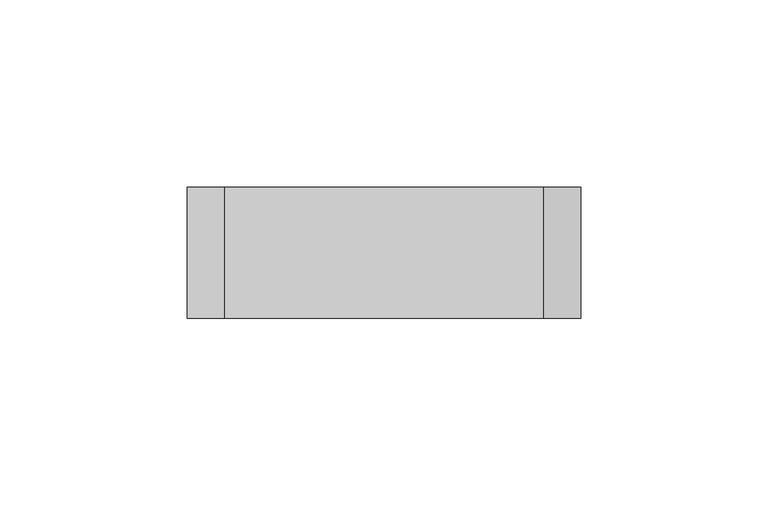
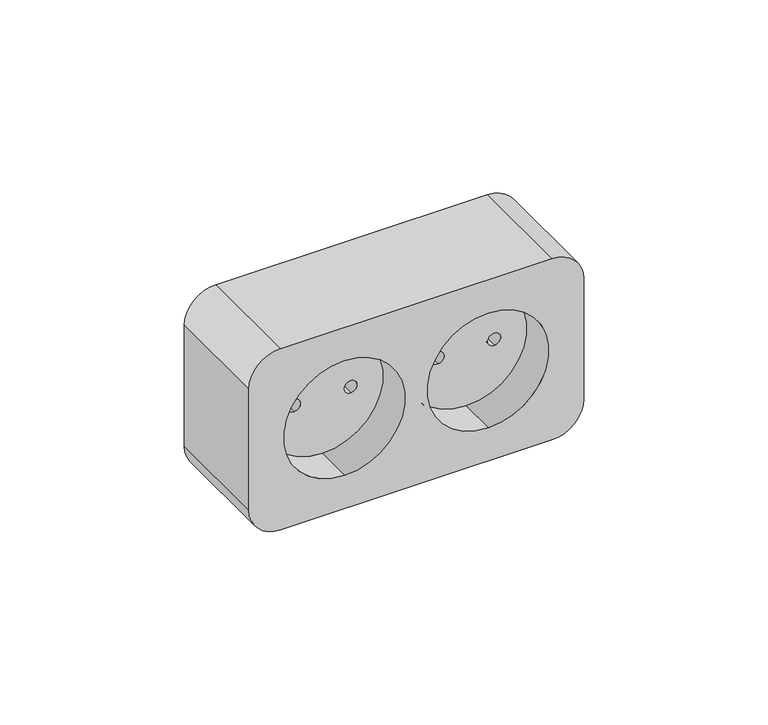
"""IFC4 building model written with IfcOpenShell, lengths in millimetres: proxy geometry."""

from ifc_helpers import new_model, si_unit, frame, origin, place, context, project, spatial, polyline, circle_curve, source, transform, mapped, element, save
from ifc_brep_helpers import plane_surface, cylinder_surface, revolved_surface, advanced_brep


def electrical_fixtures_bce58e83(model_context):
    return source(origin(), model_context, "Body", "AdvancedBrep", [
        advanced_brep(
        [(82.5, -35.0, 210.0), (72.5, -35.0, 200.0), (72.5, -35.0, 160.0), (82.5, -35.0, 150.0), (167.5, -35.0, 150.0), (177.5, -35.0, 160.0), (177.5, -35.0, 200.0), (167.5, -35.0, 210.0), (147.5, -35.0, 199.0), (147.5, -35.0, 161.0), (102.5, -35.0, 199.0), (102.5, -35.0, 161.0), (82.5, 0.0, 210.0), (167.5, 0.0, 210.0), (177.5, 0.0, 200.0), (177.5, 0.0, 160.0), (167.5, 0.0, 150.0), (82.5, 0.0, 150.0), (72.5, 0.0, 160.0), (72.5, 0.0, 200.0), (147.5, -23.0, 199.0), (147.5, -23.0, 161.0), (156.3542367, -23.0, 182.0), (156.3542367, -23.0, 178.0), (138.6457633, -23.0, 182.0), (138.6457633, -23.0, 178.0), (102.5, -23.0, 199.0), (102.5, -23.0, 161.0), (111.3542367, -23.0, 182.0), (111.3542367, -23.0, 178.0), (93.6457633, -23.0, 182.0), (93.6457633, -23.0, 178.0), (111.3542367, -15.0, 182.0), (111.3542367, -15.0, 178.0), (93.6457633, -15.0, 182.0), (93.6457633, -15.0, 178.0), (156.3542367, -15.0, 182.0), (156.3542367, -15.0, 178.0), (138.6457633, -15.0, 182.0), (138.6457633, -15.0, 178.0)],
        [
            (0, 1, circle_curve(frame((82.5, -35.0, 200.0), z_axis=(0.0, -1.0, 0.0), x_axis=(-1.0, 0.0, 0.0)), 10.0)),
            (1, 2),
            (2, 3, circle_curve(frame((82.5, -35.0, 160.0), z_axis=(0.0, -1.0, 0.0), x_axis=(-1.0, 0.0, 0.0)), 10.0)),
            (3, 4),
            (4, 5, circle_curve(frame((167.5, -35.0, 160.0), z_axis=(0.0, -1.0, 0.0), x_axis=(-1.0, 0.0, 0.0)), 10.0)),
            (5, 6),
            (6, 7, circle_curve(frame((167.5, -35.0, 200.0), z_axis=(0.0, -1.0, 0.0), x_axis=(-1.0, 0.0, 0.0)), 10.0)),
            (7, 0),
            (8, 9, circle_curve(frame((147.5, -35.0, 180.0), z_axis=(0.0, 1.0, 0.0), x_axis=(0.0, 0.0, -1.0)), 19.0)),
            (9, 8, circle_curve(frame((147.5, -35.0, 180.0), z_axis=(0.0, 1.0, 0.0), x_axis=(0.0, 0.0, -1.0)), 19.0)),
            (10, 11, circle_curve(frame((102.5, -35.0, 180.0), z_axis=(0.0, 1.0, 0.0), x_axis=(0.0, 0.0, -1.0)), 19.0)),
            (11, 10, circle_curve(frame((102.5, -35.0, 180.0), z_axis=(0.0, 1.0, 0.0), x_axis=(0.0, 0.0, -1.0)), 19.0)),
            (12, 13),
            (13, 14, circle_curve(frame((167.5, 0.0, 200.0), z_axis=(0.0, 1.0, 0.0), x_axis=(-1.0, 0.0, 0.0)), 10.0)),
            (14, 15),
            (15, 16, circle_curve(frame((167.5, 0.0, 160.0), z_axis=(0.0, 1.0, 0.0), x_axis=(-1.0, 0.0, 0.0)), 10.0)),
            (16, 17),
            (17, 18, circle_curve(frame((82.5, 0.0, 160.0), z_axis=(0.0, 1.0, 0.0), x_axis=(-1.0, 0.0, 0.0)), 10.0)),
            (18, 19),
            (19, 12, circle_curve(frame((82.5, 0.0, 200.0), z_axis=(0.0, 1.0, 0.0), x_axis=(-1.0, 0.0, 0.0)), 10.0)),
            (7, 13),
            (12, 0),
            (5, 15),
            (14, 6),
            (3, 17),
            (16, 4),
            (1, 19),
            (18, 2),
            (20, 21, circle_curve(frame((147.5, -23.0, 180.0), z_axis=(0.0, -1.0, 0.0), x_axis=(0.0, 0.0, -1.0)), 19.0)),
            (21, 20, circle_curve(frame((147.5, -23.0, 180.0), z_axis=(0.0, -1.0, 0.0), x_axis=(0.0, 0.0, -1.0)), 19.0)),
            (22, 23, circle_curve(frame((156.3542367, -23.0, 180.0), z_axis=(0.0, 1.0, 0.0), x_axis=(0.0, 0.0, -1.0)), 2.0)),
            (23, 22, circle_curve(frame((156.3542367, -23.0, 180.0), z_axis=(0.0, 1.0, 0.0), x_axis=(0.0, 0.0, -1.0)), 2.0)),
            (24, 25, circle_curve(frame((138.6457633, -23.0, 180.0), z_axis=(0.0, 1.0, 0.0), x_axis=(0.0, 0.0, -1.0)), 2.0)),
            (25, 24, circle_curve(frame((138.6457633, -23.0, 180.0), z_axis=(0.0, 1.0, 0.0), x_axis=(0.0, 0.0, -1.0)), 2.0)),
            (20, 8),
            (9, 21),
            (26, 27, circle_curve(frame((102.5, -23.0, 180.0), z_axis=(0.0, -1.0, 0.0), x_axis=(0.0, 0.0, -1.0)), 19.0)),
            (27, 26, circle_curve(frame((102.5, -23.0, 180.0), z_axis=(0.0, -1.0, 0.0), x_axis=(0.0, 0.0, -1.0)), 19.0)),
            (28, 29, circle_curve(frame((111.3542367, -23.0, 180.0), z_axis=(0.0, 1.0, 0.0), x_axis=(0.0, 0.0, -1.0)), 2.0)),
            (29, 28, circle_curve(frame((111.3542367, -23.0, 180.0), z_axis=(0.0, 1.0, 0.0), x_axis=(0.0, 0.0, -1.0)), 2.0)),
            (30, 31, circle_curve(frame((93.6457633, -23.0, 180.0), z_axis=(0.0, 1.0, 0.0), x_axis=(0.0, 0.0, -1.0)), 2.0)),
            (31, 30, circle_curve(frame((93.6457633, -23.0, 180.0), z_axis=(0.0, 1.0, 0.0), x_axis=(0.0, 0.0, -1.0)), 2.0)),
            (26, 10),
            (11, 27),
            (32, 33, circle_curve(frame((111.3542367, -15.0, 180.0), z_axis=(0.0, -1.0, 0.0), x_axis=(0.0, 0.0, -1.0)), 2.0)),
            (33, 32, circle_curve(frame((111.3542367, -15.0, 180.0), z_axis=(0.0, -1.0, 0.0), x_axis=(0.0, 0.0, -1.0)), 2.0)),
            (34, 35, circle_curve(frame((93.6457633, -15.0, 180.0), z_axis=(0.0, -1.0, 0.0), x_axis=(0.0, 0.0, -1.0)), 2.0)),
            (35, 34, circle_curve(frame((93.6457633, -15.0, 180.0), z_axis=(0.0, -1.0, 0.0), x_axis=(0.0, 0.0, -1.0)), 2.0)),
            (32, 28),
            (29, 33),
            (34, 30),
            (31, 35),
            (36, 37, circle_curve(frame((156.3542367, -15.0, 180.0), z_axis=(0.0, -1.0, 0.0), x_axis=(0.0, 0.0, -1.0)), 2.0)),
            (37, 36, circle_curve(frame((156.3542367, -15.0, 180.0), z_axis=(0.0, -1.0, 0.0), x_axis=(0.0, 0.0, -1.0)), 2.0)),
            (38, 39, circle_curve(frame((138.6457633, -15.0, 180.0), z_axis=(0.0, -1.0, 0.0), x_axis=(0.0, 0.0, -1.0)), 2.0)),
            (39, 38, circle_curve(frame((138.6457633, -15.0, 180.0), z_axis=(0.0, -1.0, 0.0), x_axis=(0.0, 0.0, -1.0)), 2.0)),
            (36, 22),
            (23, 37),
            (38, 24),
            (25, 39),
        ],
        [
            plane_surface(frame((167.5, -35.0, 210.0), z_axis=(0.0, -1.0, 0.0), x_axis=(1.0, 0.0, 0.0))),
            plane_surface(frame((167.5, 0.0, 210.0), z_axis=(0.0, 1.0, 0.0), x_axis=(-1.0, 0.0, 0.0))),
            plane_surface(frame((82.5, -35.0, 210.0), z_axis=(0.0, 0.0, 1.0), x_axis=(0.0, 1.0, 0.0))),
            plane_surface(frame((177.5, -35.0, 200.0), z_axis=(1.0, 0.0, 0.0), x_axis=(0.0, 1.0, 0.0))),
            plane_surface(frame((167.5, -35.0, 150.0), z_axis=(0.0, 0.0, -1.0), x_axis=(0.0, 1.0, 0.0))),
            plane_surface(frame((72.5, -35.0, 160.0), z_axis=(-1.0, 0.0, 0.0), x_axis=(0.0, 1.0, 0.0))),
            cylinder_surface(frame((167.5, 0.0, 200.0), z_axis=(0.0, -1.0, 0.0), x_axis=(-1.0, 0.0, 0.0)), 10.0),
            cylinder_surface(frame((167.5, 0.0, 160.0), z_axis=(0.0, -1.0, 0.0), x_axis=(-1.0, 0.0, 0.0)), 10.0),
            cylinder_surface(frame((82.5, 0.0, 160.0), z_axis=(0.0, -1.0, 0.0), x_axis=(-1.0, 0.0, 0.0)), 10.0),
            cylinder_surface(frame((82.5, 0.0, 200.0), z_axis=(0.0, -1.0, 0.0), x_axis=(-1.0, 0.0, 0.0)), 10.0),
            plane_surface(frame((147.5, -23.0, 161.0), z_axis=(0.0, -1.0, 0.0), x_axis=(1.0, 0.0, 0.0))),
            revolved_surface(polyline([(147.5, -23.0, 161.0), (147.5, -35.0, 161.0)]), (147.5, -35.0, 180.0), (0.0, 1.0, 0.0)),
            plane_surface(frame((102.5, -23.0, 161.0), z_axis=(0.0, -1.0, 0.0), x_axis=(1.0, 0.0, 0.0))),
            revolved_surface(polyline([(102.5, -23.0, 161.0), (102.5, -35.0, 161.0)]), (102.5, -35.0, 180.0), (0.0, 1.0, 0.0)),
            plane_surface(frame((111.3542367, -15.0, 178.0), z_axis=(0.0, -1.0, 0.0), x_axis=(1.0, 0.0, 0.0))),
            revolved_surface(polyline([(111.3542367, -15.0, 178.0), (111.3542367, -23.0, 178.0)]), (111.3542367, -23.0, 180.0), (0.0, 1.0, 0.0)),
            revolved_surface(polyline([(93.6457633, -15.0, 178.0), (93.6457633, -23.0, 178.0)]), (93.6457633, -35.0, 180.0), (0.0, 1.0, 0.0)),
            plane_surface(frame((156.3542367, -15.0, 178.0), z_axis=(0.0, -1.0, 0.0), x_axis=(1.0, 0.0, 0.0))),
            revolved_surface(polyline([(156.3542367, -15.0, 178.0), (156.3542367, -23.0, 178.0)]), (156.3542367, -23.0, 180.0), (0.0, 1.0, 0.0)),
            revolved_surface(polyline([(138.6457633, -15.0, 178.0), (138.6457633, -23.0, 178.0)]), (138.6457633, -35.0, 180.0), (0.0, 1.0, 0.0)),
        ],
        [
            (0, [[1, 2, 3, 4, 5, 6, 7, 8], [9, 10], [11, 12]]),
            (1, [[13, 14, 15, 16, 17, 18, 19, 20]]),
            (2, [[21, -13, 22, -8]]),
            (3, [[23, -15, 24, -6]]),
            (4, [[25, -17, 26, -4]]),
            (5, [[27, -19, 28, -2]]),
            (6, [[-24, -14, -21, -7]]),
            (7, [[-26, -16, -23, -5]]),
            (8, [[-28, -18, -25, -3]]),
            (9, [[-22, -20, -27, -1]]),
            (10, [[29, 30], [31, 32], [33, 34]]),
            (11, [[35, -10, 36, -29]]),
            (11, [[-36, -9, -35, -30]]),
            (12, [[37, 38], [39, 40], [41, 42]]),
            (13, [[43, -12, 44, -37]]),
            (13, [[-44, -11, -43, -38]]),
            (14, [[45, 46]]),
            (14, [[47, 48]]),
            (15, [[49, -40, 50, -45]]),
            (15, [[-50, -39, -49, -46]]),
            (16, [[51, -42, 52, -47]]),
            (16, [[-52, -41, -51, -48]]),
            (17, [[53, 54]]),
            (17, [[55, 56]]),
            (18, [[57, -32, 58, -53]]),
            (18, [[-58, -31, -57, -54]]),
            (19, [[59, -34, 60, -55]]),
            (19, [[-60, -33, -59, -56]]),
        ],
    ),
    ])


if __name__ == "__main__":
    model = new_model("IFC4")
    model_context = context("Model", 3, world=origin())
    ifc_project = project(units=[si_unit("LENGTHUNIT", "METRE", prefix="MILLI")], contexts=[model_context])
    site = spatial("IfcSite", under=ifc_project)
    building = spatial("IfcBuilding", under=site)
    placement = place(None, origin())
    electrical_fixtures_shape = electrical_fixtures_bce58e83(model_context)
    element("IfcBuildingElementProxy", 1, Name="Electrical Fixtures", at=placement, inside=building, context=model_context, shape_type="MappedRepresentation", body=[
        mapped(electrical_fixtures_shape, transform((0.0, 0.0, 0.0), x_axis=(1.0, 0.0, 0.0), y_axis=(0.0, 1.0, 0.0), z_axis=(0.0, 0.0, 1.0))),
    ])
    save(model, "model.ifc")
